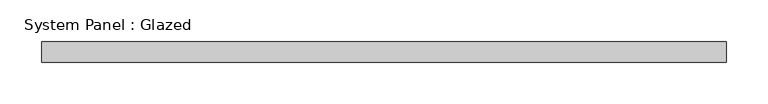
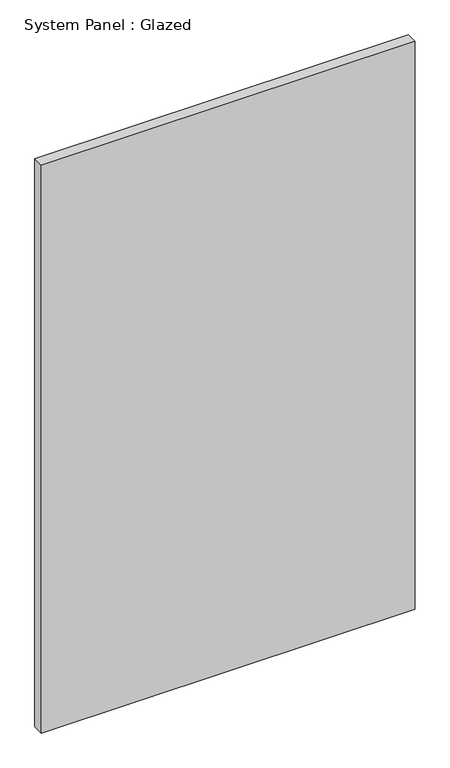
"""IFC4 building model written with IfcOpenShell, lengths in millimetres: plate geometry, System Panel : Glazed."""

import ifcopenshell
import ifcopenshell.guid

model = None  # the IFC model being written
_history = None  # IfcOwnerHistory: only IFC2X3 demands one
_inside = {}  # id of a spatial element -> (the spatial element, [elements in it])
_under = {}  # id of a project, library or spatial element -> (it, [spatial elements below it])
_declared = {}  # id of a project -> (the project, [libraries it declares])
_typed = {}  # id of a type object -> (the type object, [elements of that type])
_made_of = {}  # id of a material, layer set ... -> (it, [elements and type objects made of it])


def new_model(schema):
    """Start an empty IFC model of exactly this schema.

    Asked for "IFC4X3", IfcOpenShell would pick the latest addendum, in which some entities
    have other attributes; the version numbers below select the first issue.
    IFC2X3 requires an IfcOwnerHistory on every rooted entity: one is made here for all.
    """
    global model, _history
    if schema == "IFC4X3":
        model = ifcopenshell.file(schema_version=(4, 3, 0, 0))
    else:
        model = ifcopenshell.file(schema=schema)
    _inside.clear()
    _under.clear()
    _declared.clear()
    _typed.clear()
    _made_of.clear()
    _history = None
    if model.schema == "IFC2X3":
        org = make("IfcOrganization", Name="unknown")
        user = make(
            "IfcPersonAndOrganization",
            ThePerson=make("IfcPerson", FamilyName="unknown"),
            TheOrganization=org,
        )
        app = make(
            "IfcApplication",
            ApplicationDeveloper=org,
            Version="unknown",
            ApplicationFullName="unknown",
            ApplicationIdentifier="unknown",
        )
        _history = make(
            "IfcOwnerHistory",
            OwningUser=user,
            OwningApplication=app,
            ChangeAction="ADDED",
            CreationDate=0,
        )
    return model


def make(cls, **values):
    """One entity of the class cls with the attributes given. An attribute that is None is left unset."""
    return model.create_entity(
        cls, **{name: value for name, value in values.items() if value is not None}
    )


def rooted(cls, **values):
    """An entity with a GlobalId (a new one), such as an element, a storey or a relation."""
    return make(cls, GlobalId=ifcopenshell.guid.new(), OwnerHistory=_history, **values)


def si_unit(unit_type, name, prefix=None):
    """IfcSIUnit, for example si_unit("LENGTHUNIT", "METRE", prefix="MILLI")."""
    return make("IfcSIUnit", UnitType=unit_type, Prefix=prefix, Name=name)


def assignment(units):
    """IfcUnitAssignment: the units of a project."""
    return None if units is None else make("IfcUnitAssignment", Units=units)


def point(xyz):
    """IfcCartesianPoint."""
    return None if xyz is None else make("IfcCartesianPoint", Coordinates=xyz)


def direction(xyz):
    """IfcDirection."""
    return None if xyz is None else make("IfcDirection", DirectionRatios=xyz)


def frame(location, z_axis=None, x_axis=None):
    """IfcAxis2Placement3D, a coordinate frame: its origin and axes. An axis left out is left unset."""
    return make(
        "IfcAxis2Placement3D",
        Location=point(location),
        Axis=direction(z_axis),
        RefDirection=direction(x_axis),
    )


def origin():
    """The frame at (0, 0, 0) with its axes left unset."""
    return frame((0.0, 0.0, 0.0))


def origin_with_axes():
    """The frame at (0, 0, 0) with the z axis (0, 0, 1) and the x axis (1, 0, 0) written out."""
    return frame((0.0, 0.0, 0.0), z_axis=(0.0, 0.0, 1.0), x_axis=(1.0, 0.0, 0.0))


def place(relative_to, where):
    """IfcLocalPlacement: puts the frame where relative to a parent placement (None: the world)."""
    return make(
        "IfcLocalPlacement", PlacementRelTo=relative_to, RelativePlacement=where
    )


def context(
    kind, dimensions, precision=None, world=None, true_north=None, identifier=None
):
    """IfcGeometricRepresentationContext, for example the 3D "Model" context."""
    return make(
        "IfcGeometricRepresentationContext",
        ContextIdentifier=identifier,
        ContextType=kind,
        CoordinateSpaceDimension=dimensions,
        Precision=precision,
        WorldCoordinateSystem=world,
        TrueNorth=true_north,
    )


def project(units=None, contexts=None):
    """IfcProject with its units and contexts."""
    return rooted(
        "IfcProject",
        Name="project",
        RepresentationContexts=contexts,
        UnitsInContext=assignment(units),
    )


def spatial(cls, under=None, at=None, **own):
    """A site, building, storey or space (cls), placed at a placement, below another one or the project."""
    s = rooted(cls, ObjectPlacement=at, **own)
    if under is not None:
        _under.setdefault(under.id(), (under, []))[1].append(s)
    return s


def polyline(points):
    """IfcPolyline through the points."""
    return make("IfcPolyline", Points=[point(p) for p in points])


def outline(outer, holes=None, kind="AREA"):
    """IfcArbitraryClosedProfileDef: a profile drawn as a closed curve; with holes, ...WithVoids."""
    if holes is None:
        return make("IfcArbitraryClosedProfileDef", ProfileType=kind, OuterCurve=outer)
    return make(
        "IfcArbitraryProfileDefWithVoids",
        ProfileType=kind,
        OuterCurve=outer,
        InnerCurves=holes,
    )


def extrude(swept, where, along, depth):
    """IfcExtrudedAreaSolid: the profile swept, set in the frame where, extruded along a direction by depth."""
    return make(
        "IfcExtrudedAreaSolid",
        SweptArea=swept,
        Position=where,
        ExtrudedDirection=direction(along),
        Depth=depth,
    )


def shape(context_of_items, identifier, shape_type, items):
    """IfcShapeRepresentation: the items that make up one representation, for example the "Body"."""
    return make(
        "IfcShapeRepresentation",
        ContextOfItems=context_of_items,
        RepresentationIdentifier=identifier,
        RepresentationType=shape_type,
        Items=items,
    )


def source(mapping_origin, context_of_items, identifier, shape_type, items):
    """IfcRepresentationMap: a shape defined once, which mapped items show again and again."""
    return make(
        "IfcRepresentationMap",
        MappingOrigin=mapping_origin,
        MappedRepresentation=shape(context_of_items, identifier, shape_type, items),
    )


def transform(
    local_origin,
    x_axis=None,
    y_axis=None,
    z_axis=None,
    scale=None,
    scale2=None,
    scale3=None,
    uniform=True,
):
    """IfcCartesianTransformationOperator3D, or its non-uniform kind. x_axis, y_axis, z_axis: its Axis1, 2, 3."""
    if uniform:
        return make(
            "IfcCartesianTransformationOperator3D",
            Axis1=direction(x_axis),
            Axis2=direction(y_axis),
            LocalOrigin=point(local_origin),
            Scale=scale,
            Axis3=direction(z_axis),
        )
    return make(
        "IfcCartesianTransformationOperator3DnonUniform",
        Axis1=direction(x_axis),
        Axis2=direction(y_axis),
        LocalOrigin=point(local_origin),
        Scale=scale,
        Axis3=direction(z_axis),
        Scale2=scale2,
        Scale3=scale3,
    )


def mapped(mapping_source, mapping_target):
    """IfcMappedItem: shows the shape of a source again, moved by a transform."""
    return make(
        "IfcMappedItem", MappingSource=mapping_source, MappingTarget=mapping_target
    )


def made_of(thing, what):
    """Note that an element or type object is made of a material, layer set ...; save() writes the relation."""
    if what is not None:
        _made_of.setdefault(what.id(), (what, []))[1].append(thing)
    return thing


def element(
    cls,
    number,
    at=None,
    inside=None,
    cuts=None,
    type_object=None,
    material=None,
    context=None,
    identifier="Body",
    shape_type=None,
    held_by="IfcProductDefinitionShape",
    body=None,
    shapes=None,
    **own,
):
    """One element of the class cls, such as IfcWall. Its Tag is "e" and its number.

    at: its placement. inside: the storey or other place that contains it. cuts: it is an
    opening in that element (IfcRelVoidsElement). A single representation is given by context,
    identifier, shape_type and body (its items); several are given by shapes. held_by: the class
    of the entity that holds the representations. save() writes the other relations.
    """
    e = rooted(cls, Tag="e%d" % number, ObjectPlacement=at, **own)
    if body is not None:
        shapes = [shape(context, identifier, shape_type, body)]
    if shapes is not None:
        e.Representation = make(held_by, Representations=shapes)
    if inside is not None:
        _inside.setdefault(inside.id(), (inside, []))[1].append(e)
    if cuts is not None:
        rooted(
            "IfcRelVoidsElement", RelatingBuildingElement=cuts, RelatedOpeningElement=e
        )
    if type_object is not None:
        _typed.setdefault(type_object.id(), (type_object, []))[1].append(e)
    return made_of(e, material)


def aggregate(whole, parts):
    """IfcRelAggregates: a whole, such as a stair, and the parts it consists of."""
    return rooted("IfcRelAggregates", RelatingObject=whole, RelatedObjects=parts)


def save(model, path):
    """Write the relations noted so far, then the file.

    IfcRelAggregates (storeys below a building ...), IfcRelContainedInSpatialStructure (elements
    in a storey), IfcRelDefinesByType, IfcRelAssociatesMaterial and IfcRelDeclares: one each for
    every whole, place, type object, material and project.
    """
    for whole, parts in _under.values():
        aggregate(whole, parts)
    for where, things in _inside.values():
        rooted(
            "IfcRelContainedInSpatialStructure",
            RelatedElements=things,
            RelatingStructure=where,
        )
    for kind, things in _typed.values():
        rooted("IfcRelDefinesByType", RelatedObjects=things, RelatingType=kind)
    for what, things in _made_of.values():
        rooted("IfcRelAssociatesMaterial", RelatedObjects=things, RelatingMaterial=what)
    for by, libraries in _declared.values():
        rooted("IfcRelDeclares", RelatingContext=by, RelatedDefinitions=libraries)
    model.write(path)


def system_panel_glazed_a2130f3d(model_context):
    return source(origin(), model_context, "Body", "SweptSolid", [
        extrude(outline(polyline([(412.5, -49.5), (-412.5, -49.5), (-412.5, -24.5), (412.5, -24.5), (412.5, -49.5)])), origin_with_axes(), (0.0, 0.0, 1.0), 1325.0),
    ])


if __name__ == "__main__":
    model = new_model("IFC4")
    model_context = context("Model", 3, world=origin())
    ifc_project = project(units=[si_unit("LENGTHUNIT", "METRE", prefix="MILLI")], contexts=[model_context])
    site = spatial("IfcSite", under=ifc_project)
    building = spatial("IfcBuilding", under=site)
    placement = place(None, origin())
    system_panel_glazed_shape = system_panel_glazed_a2130f3d(model_context)
    element("IfcPlate", 1, ObjectType="System Panel : Glazed", at=placement, inside=building, context=model_context, shape_type="MappedRepresentation", body=[
        mapped(system_panel_glazed_shape, transform((0.0, 0.0, 0.0), x_axis=(1.0, 0.0, 0.0), y_axis=(0.0, 1.0, 0.0), z_axis=(0.0, 0.0, 1.0))),
    ])
    save(model, "model.ifc")
